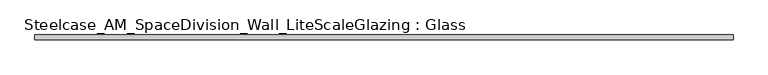
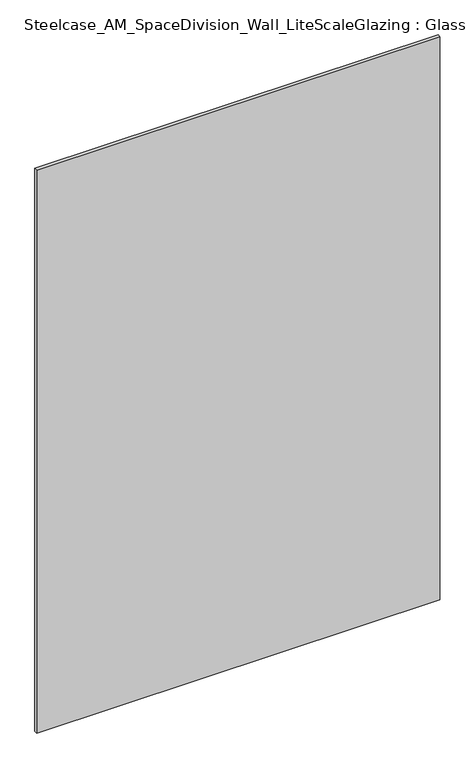
"""IFC4 building model written with IfcOpenShell, lengths in millimetres: plate geometry, Steelcase_AM_SpaceDivision_Wall_LiteScaleGlazing : Glass."""

import ifcopenshell
import ifcopenshell.guid

model = None  # the IFC model being written
_history = None  # IfcOwnerHistory: only IFC2X3 demands one
_inside = {}  # id of a spatial element -> (the spatial element, [elements in it])
_under = {}  # id of a project, library or spatial element -> (it, [spatial elements below it])
_declared = {}  # id of a project -> (the project, [libraries it declares])
_typed = {}  # id of a type object -> (the type object, [elements of that type])
_made_of = {}  # id of a material, layer set ... -> (it, [elements and type objects made of it])


def new_model(schema):
    """Start an empty IFC model of exactly this schema.

    Asked for "IFC4X3", IfcOpenShell would pick the latest addendum, in which some entities
    have other attributes; the version numbers below select the first issue.
    IFC2X3 requires an IfcOwnerHistory on every rooted entity: one is made here for all.
    """
    global model, _history
    if schema == "IFC4X3":
        model = ifcopenshell.file(schema_version=(4, 3, 0, 0))
    else:
        model = ifcopenshell.file(schema=schema)
    _inside.clear()
    _under.clear()
    _declared.clear()
    _typed.clear()
    _made_of.clear()
    _history = None
    if model.schema == "IFC2X3":
        org = make("IfcOrganization", Name="unknown")
        user = make(
            "IfcPersonAndOrganization",
            ThePerson=make("IfcPerson", FamilyName="unknown"),
            TheOrganization=org,
        )
        app = make(
            "IfcApplication",
            ApplicationDeveloper=org,
            Version="unknown",
            ApplicationFullName="unknown",
            ApplicationIdentifier="unknown",
        )
        _history = make(
            "IfcOwnerHistory",
            OwningUser=user,
            OwningApplication=app,
            ChangeAction="ADDED",
            CreationDate=0,
        )
    return model


def make(cls, **values):
    """One entity of the class cls with the attributes given. An attribute that is None is left unset."""
    return model.create_entity(
        cls, **{name: value for name, value in values.items() if value is not None}
    )


def rooted(cls, **values):
    """An entity with a GlobalId (a new one), such as an element, a storey or a relation."""
    return make(cls, GlobalId=ifcopenshell.guid.new(), OwnerHistory=_history, **values)


def si_unit(unit_type, name, prefix=None):
    """IfcSIUnit, for example si_unit("LENGTHUNIT", "METRE", prefix="MILLI")."""
    return make("IfcSIUnit", UnitType=unit_type, Prefix=prefix, Name=name)


def assignment(units):
    """IfcUnitAssignment: the units of a project."""
    return None if units is None else make("IfcUnitAssignment", Units=units)


def point(xyz):
    """IfcCartesianPoint."""
    return None if xyz is None else make("IfcCartesianPoint", Coordinates=xyz)


def direction(xyz):
    """IfcDirection."""
    return None if xyz is None else make("IfcDirection", DirectionRatios=xyz)


def frame(location, z_axis=None, x_axis=None):
    """IfcAxis2Placement3D, a coordinate frame: its origin and axes. An axis left out is left unset."""
    return make(
        "IfcAxis2Placement3D",
        Location=point(location),
        Axis=direction(z_axis),
        RefDirection=direction(x_axis),
    )


def origin():
    """The frame at (0, 0, 0) with its axes left unset."""
    return frame((0.0, 0.0, 0.0))


def origin_with_axes():
    """The frame at (0, 0, 0) with the z axis (0, 0, 1) and the x axis (1, 0, 0) written out."""
    return frame((0.0, 0.0, 0.0), z_axis=(0.0, 0.0, 1.0), x_axis=(1.0, 0.0, 0.0))


def place(relative_to, where):
    """IfcLocalPlacement: puts the frame where relative to a parent placement (None: the world)."""
    return make(
        "IfcLocalPlacement", PlacementRelTo=relative_to, RelativePlacement=where
    )


def context(
    kind, dimensions, precision=None, world=None, true_north=None, identifier=None
):
    """IfcGeometricRepresentationContext, for example the 3D "Model" context."""
    return make(
        "IfcGeometricRepresentationContext",
        ContextIdentifier=identifier,
        ContextType=kind,
        CoordinateSpaceDimension=dimensions,
        Precision=precision,
        WorldCoordinateSystem=world,
        TrueNorth=true_north,
    )


def project(units=None, contexts=None):
    """IfcProject with its units and contexts."""
    return rooted(
        "IfcProject",
        Name="project",
        RepresentationContexts=contexts,
        UnitsInContext=assignment(units),
    )


def spatial(cls, under=None, at=None, **own):
    """A site, building, storey or space (cls), placed at a placement, below another one or the project."""
    s = rooted(cls, ObjectPlacement=at, **own)
    if under is not None:
        _under.setdefault(under.id(), (under, []))[1].append(s)
    return s


def polyline(points):
    """IfcPolyline through the points."""
    return make("IfcPolyline", Points=[point(p) for p in points])


def outline(outer, holes=None, kind="AREA"):
    """IfcArbitraryClosedProfileDef: a profile drawn as a closed curve; with holes, ...WithVoids."""
    if holes is None:
        return make("IfcArbitraryClosedProfileDef", ProfileType=kind, OuterCurve=outer)
    return make(
        "IfcArbitraryProfileDefWithVoids",
        ProfileType=kind,
        OuterCurve=outer,
        InnerCurves=holes,
    )


def extrude(swept, where, along, depth):
    """IfcExtrudedAreaSolid: the profile swept, set in the frame where, extruded along a direction by depth."""
    return make(
        "IfcExtrudedAreaSolid",
        SweptArea=swept,
        Position=where,
        ExtrudedDirection=direction(along),
        Depth=depth,
    )


def shape(context_of_items, identifier, shape_type, items):
    """IfcShapeRepresentation: the items that make up one representation, for example the "Body"."""
    return make(
        "IfcShapeRepresentation",
        ContextOfItems=context_of_items,
        RepresentationIdentifier=identifier,
        RepresentationType=shape_type,
        Items=items,
    )


def source(mapping_origin, context_of_items, identifier, shape_type, items):
    """IfcRepresentationMap: a shape defined once, which mapped items show again and again."""
    return make(
        "IfcRepresentationMap",
        MappingOrigin=mapping_origin,
        MappedRepresentation=shape(context_of_items, identifier, shape_type, items),
    )


def transform(
    local_origin,
    x_axis=None,
    y_axis=None,
    z_axis=None,
    scale=None,
    scale2=None,
    scale3=None,
    uniform=True,
):
    """IfcCartesianTransformationOperator3D, or its non-uniform kind. x_axis, y_axis, z_axis: its Axis1, 2, 3."""
    if uniform:
        return make(
            "IfcCartesianTransformationOperator3D",
            Axis1=direction(x_axis),
            Axis2=direction(y_axis),
            LocalOrigin=point(local_origin),
            Scale=scale,
            Axis3=direction(z_axis),
        )
    return make(
        "IfcCartesianTransformationOperator3DnonUniform",
        Axis1=direction(x_axis),
        Axis2=direction(y_axis),
        LocalOrigin=point(local_origin),
        Scale=scale,
        Axis3=direction(z_axis),
        Scale2=scale2,
        Scale3=scale3,
    )


def mapped(mapping_source, mapping_target):
    """IfcMappedItem: shows the shape of a source again, moved by a transform."""
    return make(
        "IfcMappedItem", MappingSource=mapping_source, MappingTarget=mapping_target
    )


def made_of(thing, what):
    """Note that an element or type object is made of a material, layer set ...; save() writes the relation."""
    if what is not None:
        _made_of.setdefault(what.id(), (what, []))[1].append(thing)
    return thing


def element(
    cls,
    number,
    at=None,
    inside=None,
    cuts=None,
    type_object=None,
    material=None,
    context=None,
    identifier="Body",
    shape_type=None,
    held_by="IfcProductDefinitionShape",
    body=None,
    shapes=None,
    **own,
):
    """One element of the class cls, such as IfcWall. Its Tag is "e" and its number.

    at: its placement. inside: the storey or other place that contains it. cuts: it is an
    opening in that element (IfcRelVoidsElement). A single representation is given by context,
    identifier, shape_type and body (its items); several are given by shapes. held_by: the class
    of the entity that holds the representations. save() writes the other relations.
    """
    e = rooted(cls, Tag="e%d" % number, ObjectPlacement=at, **own)
    if body is not None:
        shapes = [shape(context, identifier, shape_type, body)]
    if shapes is not None:
        e.Representation = make(held_by, Representations=shapes)
    if inside is not None:
        _inside.setdefault(inside.id(), (inside, []))[1].append(e)
    if cuts is not None:
        rooted(
            "IfcRelVoidsElement", RelatingBuildingElement=cuts, RelatedOpeningElement=e
        )
    if type_object is not None:
        _typed.setdefault(type_object.id(), (type_object, []))[1].append(e)
    return made_of(e, material)


def aggregate(whole, parts):
    """IfcRelAggregates: a whole, such as a stair, and the parts it consists of."""
    return rooted("IfcRelAggregates", RelatingObject=whole, RelatedObjects=parts)


def save(model, path):
    """Write the relations noted so far, then the file.

    IfcRelAggregates (storeys below a building ...), IfcRelContainedInSpatialStructure (elements
    in a storey), IfcRelDefinesByType, IfcRelAssociatesMaterial and IfcRelDeclares: one each for
    every whole, place, type object, material and project.
    """
    for whole, parts in _under.values():
        aggregate(whole, parts)
    for where, things in _inside.values():
        rooted(
            "IfcRelContainedInSpatialStructure",
            RelatedElements=things,
            RelatingStructure=where,
        )
    for kind, things in _typed.values():
        rooted("IfcRelDefinesByType", RelatedObjects=things, RelatingType=kind)
    for what, things in _made_of.values():
        rooted("IfcRelAssociatesMaterial", RelatedObjects=things, RelatingMaterial=what)
    for by, libraries in _declared.values():
        rooted("IfcRelDeclares", RelatingContext=by, RelatedDefinitions=libraries)
    model.write(path)


def steelcase_am_spacedivision_wall_litescaleglazing_glass_5a8e4a5a(model_context):
    return source(origin(), model_context, "Body", "SweptSolid", [
        extrude(outline(polyline([(-902.843, -6.349956), (-902.843, 6.3502015), (902.843, 6.3502015), (902.843, -6.349956), (-902.843, -6.349956)])), origin_with_axes(), (0.0, 0.0, 1.0), 2665.984),
    ])


if __name__ == "__main__":
    model = new_model("IFC4")
    model_context = context("Model", 3, world=origin())
    ifc_project = project(units=[si_unit("LENGTHUNIT", "METRE", prefix="MILLI")], contexts=[model_context])
    site = spatial("IfcSite", under=ifc_project)
    building = spatial("IfcBuilding", under=site)
    placement = place(None, origin())
    steelcase_am_spacedivision_wall_litescaleglazing_glass_shape = steelcase_am_spacedivision_wall_litescaleglazing_glass_5a8e4a5a(model_context)
    element("IfcPlate", 1, ObjectType="Steelcase_AM_SpaceDivision_Wall_LiteScaleGlazing : Glass", at=placement, inside=building, context=model_context, shape_type="MappedRepresentation", body=[
        mapped(steelcase_am_spacedivision_wall_litescaleglazing_glass_shape, transform((0.0, 0.0, 0.0), x_axis=(1.0, 0.0, 0.0), y_axis=(0.0, 1.0, 0.0), z_axis=(0.0, 0.0, 1.0))),
    ])
    save(model, "model.ifc")
